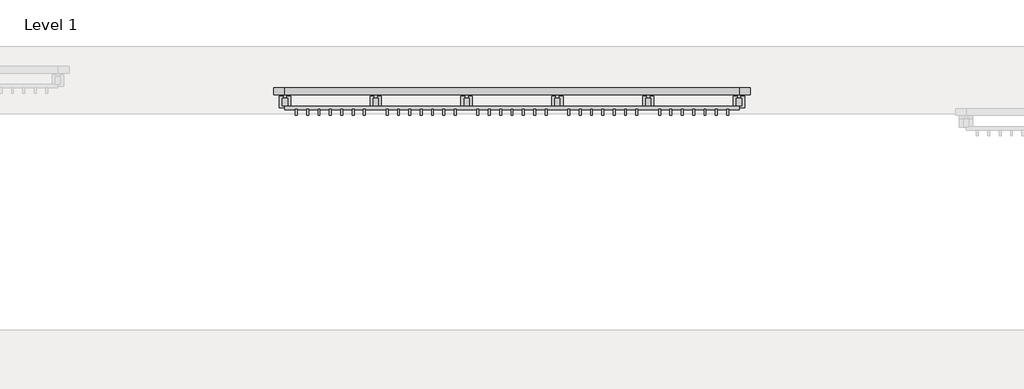
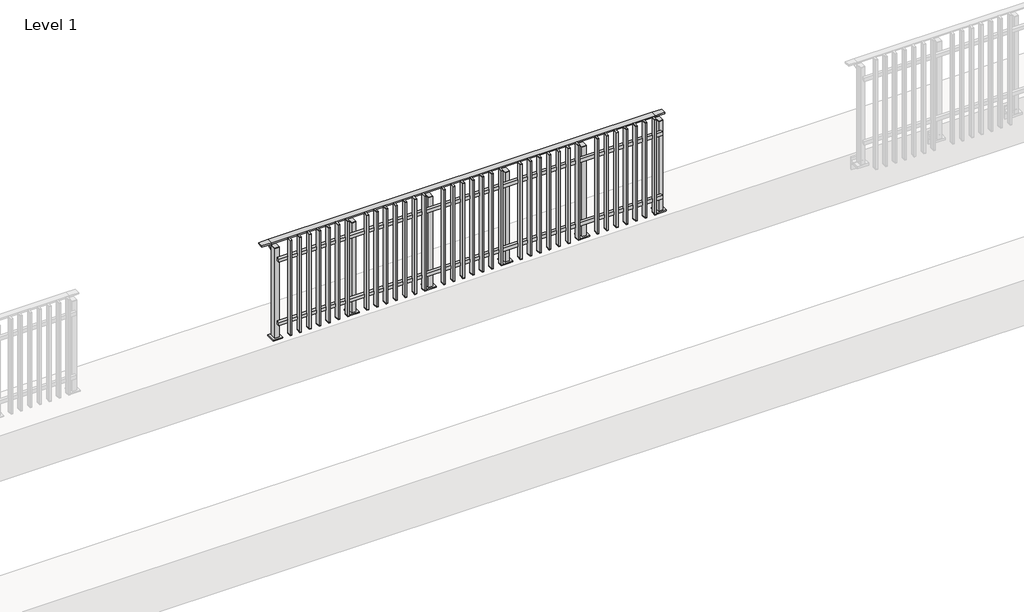
# One storey, part 12 of 17: 1 railing.
"""IFC4 building model written with IfcOpenShell, lengths in millimetres."""

from ifc_helpers import new_model, si_unit, point, frame, frame_2d, origin, origin_with_axes, place, context, project, spatial, polyline, circle_curve, trimmed, segment, composite_curve, outline, extrude, faceted_brep, element, save

model = new_model("IFC4")

# Units and contexts
model_context = context("Model", 3, world=origin())
ifc_project = project(units=[si_unit("LENGTHUNIT", "METRE", prefix="MILLI")], contexts=[model_context])

# Site, building, storey
site = spatial("IfcSite", under=ifc_project)
building = spatial("IfcBuilding", under=site)
storey = spatial("IfcBuildingStorey", under=building, Name="Level 1", Elevation=0.0)

# Railing
placement = place(None, origin())
element("IfcRailing", 1, at=placement, inside=storey, context=model_context, shape_type="SolidModel", body=[
    faceted_brep([(6000.0, 7625.1846828, 985.0), (6000.0, 7625.1846828, 1000.0), (10000.0, 7625.1846828, 1000.0), (10000.0, 7625.1846828, 985.0), (6000.0, 7565.1846828, 985.0), (10000.0, 7565.1846828, 985.0), (6000.0, 7565.1846828, 1000.0), (10000.0, 7565.1846828, 1000.0), (5900.0, 7625.1846828, 1000.0), (5900.0, 7625.1846828, 985.0), (5900.0, 7565.1846828, 985.0), (5900.0, 7565.1846828, 1000.0), (10100.0, 7625.1846828, 1000.0), (10100.0, 7565.1846828, 1000.0), (10100.0, 7565.1846828, 985.0), (10100.0, 7625.1846828, 985.0)], [[[0, 1, 2, 3]], [[4, 0, 3, 5]], [[6, 4, 5, 7]], [[1, 6, 7, 2]], [[8, 9, 10, 11]], [[9, 8, 1, 0]], [[10, 9, 0, 4]], [[11, 10, 4, 6]], [[8, 11, 6, 1]], [[12, 13, 14, 15]], [[3, 2, 12, 15]], [[5, 3, 15, 14]], [[7, 5, 14, 13]], [[2, 7, 13, 12]]]),
    extrude(outline(polyline([(6000.0, 7432.6846828), (6000.0, 7464.6846828), (10000.0, 7464.6846828), (10000.0, 7432.6846828), (6000.0, 7432.6846828)])), frame((0.0, 0.0, 164.0), z_axis=(0.0, 0.0, 1.0), x_axis=(1.0, 0.0, 0.0)), (0.0, 0.0, 1.0), 36.0),
    extrude(outline(polyline([(6000.0, 7432.6846828), (6000.0, 7464.6846828), (10000.0, 7464.6846828), (10000.0, 7432.6846828), (6000.0, 7432.6846828)])), frame((0.0, 0.0, 864.0), z_axis=(0.0, 0.0, 1.0), x_axis=(1.0, 0.0, 0.0)), (0.0, 0.0, 1.0), 36.0),
    extrude(outline(polyline([(9908.5, 7435.6846828), (9908.5, 7386.6846828), (9891.5, 7386.6846828), (9891.5, 7435.6846828), (9908.5, 7435.6846828)])), frame((0.0, 0.0, 50.0), z_axis=(0.0, 0.0, 1.0), x_axis=(1.0, 0.0, 0.0)), (0.0, 0.0, 1.0), 5.0),
    extrude(outline(polyline([(9908.5, 7435.6846828), (9908.5, 7386.6846828), (9891.5, 7386.6846828), (9891.5, 7435.6846828), (9908.5, 7435.6846828)])), frame((0.0, 0.0, 1095.0), z_axis=(0.0, 0.0, 1.0), x_axis=(1.0, 0.0, 0.0)), (0.0, 0.0, 1.0), 5.0),
    extrude(outline(polyline([(9891.5, 7386.6846828), (9891.5, 7435.6846828), (9908.5, 7435.6846828), (9908.5, 7386.6846828), (9891.5, 7386.6846828)])), frame((0.0, 0.0, 55.0), z_axis=(0.0, 0.0, 1.0), x_axis=(1.0, 0.0, 0.0)), (0.0, 0.0, 1.0), 1040.0),
    extrude(outline(polyline([(9808.5, 7435.6846828), (9808.5, 7386.6846828), (9791.5, 7386.6846828), (9791.5, 7435.6846828), (9808.5, 7435.6846828)])), frame((0.0, 0.0, 50.0), z_axis=(0.0, 0.0, 1.0), x_axis=(1.0, 0.0, 0.0)), (0.0, 0.0, 1.0), 5.0),
    extrude(outline(polyline([(9808.5, 7435.6846828), (9808.5, 7386.6846828), (9791.5, 7386.6846828), (9791.5, 7435.6846828), (9808.5, 7435.6846828)])), frame((0.0, 0.0, 1095.0), z_axis=(0.0, 0.0, 1.0), x_axis=(1.0, 0.0, 0.0)), (0.0, 0.0, 1.0), 5.0),
    extrude(outline(polyline([(9791.5, 7386.6846828), (9791.5, 7435.6846828), (9808.5, 7435.6846828), (9808.5, 7386.6846828), (9791.5, 7386.6846828)])), frame((0.0, 0.0, 55.0), z_axis=(0.0, 0.0, 1.0), x_axis=(1.0, 0.0, 0.0)), (0.0, 0.0, 1.0), 1040.0),
    extrude(outline(polyline([(9708.5, 7435.6846828), (9708.5, 7386.6846828), (9691.5, 7386.6846828), (9691.5, 7435.6846828), (9708.5, 7435.6846828)])), frame((0.0, 0.0, 50.0), z_axis=(0.0, 0.0, 1.0), x_axis=(1.0, 0.0, 0.0)), (0.0, 0.0, 1.0), 5.0),
    extrude(outline(polyline([(9708.5, 7435.6846828), (9708.5, 7386.6846828), (9691.5, 7386.6846828), (9691.5, 7435.6846828), (9708.5, 7435.6846828)])), frame((0.0, 0.0, 1095.0), z_axis=(0.0, 0.0, 1.0), x_axis=(1.0, 0.0, 0.0)), (0.0, 0.0, 1.0), 5.0),
    extrude(outline(polyline([(9691.5, 7386.6846828), (9691.5, 7435.6846828), (9708.5, 7435.6846828), (9708.5, 7386.6846828), (9691.5, 7386.6846828)])), frame((0.0, 0.0, 55.0), z_axis=(0.0, 0.0, 1.0), x_axis=(1.0, 0.0, 0.0)), (0.0, 0.0, 1.0), 1040.0),
    extrude(outline(polyline([(9608.5, 7435.6846828), (9608.5, 7386.6846828), (9591.5, 7386.6846828), (9591.5, 7435.6846828), (9608.5, 7435.6846828)])), frame((0.0, 0.0, 50.0), z_axis=(0.0, 0.0, 1.0), x_axis=(1.0, 0.0, 0.0)), (0.0, 0.0, 1.0), 5.0),
    extrude(outline(polyline([(9608.5, 7435.6846828), (9608.5, 7386.6846828), (9591.5, 7386.6846828), (9591.5, 7435.6846828), (9608.5, 7435.6846828)])), frame((0.0, 0.0, 1095.0), z_axis=(0.0, 0.0, 1.0), x_axis=(1.0, 0.0, 0.0)), (0.0, 0.0, 1.0), 5.0),
    extrude(outline(polyline([(9591.5, 7386.6846828), (9591.5, 7435.6846828), (9608.5, 7435.6846828), (9608.5, 7386.6846828), (9591.5, 7386.6846828)])), frame((0.0, 0.0, 55.0), z_axis=(0.0, 0.0, 1.0), x_axis=(1.0, 0.0, 0.0)), (0.0, 0.0, 1.0), 1040.0),
    extrude(outline(polyline([(9508.5, 7435.6846828), (9508.5, 7386.6846828), (9491.5, 7386.6846828), (9491.5, 7435.6846828), (9508.5, 7435.6846828)])), frame((0.0, 0.0, 50.0), z_axis=(0.0, 0.0, 1.0), x_axis=(1.0, 0.0, 0.0)), (0.0, 0.0, 1.0), 5.0),
    extrude(outline(polyline([(9508.5, 7435.6846828), (9508.5, 7386.6846828), (9491.5, 7386.6846828), (9491.5, 7435.6846828), (9508.5, 7435.6846828)])), frame((0.0, 0.0, 1095.0), z_axis=(0.0, 0.0, 1.0), x_axis=(1.0, 0.0, 0.0)), (0.0, 0.0, 1.0), 5.0),
    extrude(outline(polyline([(9491.5, 7386.6846828), (9491.5, 7435.6846828), (9508.5, 7435.6846828), (9508.5, 7386.6846828), (9491.5, 7386.6846828)])), frame((0.0, 0.0, 55.0), z_axis=(0.0, 0.0, 1.0), x_axis=(1.0, 0.0, 0.0)), (0.0, 0.0, 1.0), 1040.0),
    extrude(outline(polyline([(9408.5, 7435.6846828), (9408.5, 7386.6846828), (9391.5, 7386.6846828), (9391.5, 7435.6846828), (9408.5, 7435.6846828)])), frame((0.0, 0.0, 50.0), z_axis=(0.0, 0.0, 1.0), x_axis=(1.0, 0.0, 0.0)), (0.0, 0.0, 1.0), 5.0),
    extrude(outline(polyline([(9408.5, 7435.6846828), (9408.5, 7386.6846828), (9391.5, 7386.6846828), (9391.5, 7435.6846828), (9408.5, 7435.6846828)])), frame((0.0, 0.0, 1095.0), z_axis=(0.0, 0.0, 1.0), x_axis=(1.0, 0.0, 0.0)), (0.0, 0.0, 1.0), 5.0),
    extrude(outline(polyline([(9391.5, 7386.6846828), (9391.5, 7435.6846828), (9408.5, 7435.6846828), (9408.5, 7386.6846828), (9391.5, 7386.6846828)])), frame((0.0, 0.0, 55.0), z_axis=(0.0, 0.0, 1.0), x_axis=(1.0, 0.0, 0.0)), (0.0, 0.0, 1.0), 1040.0),
    extrude(outline(polyline([(9308.5, 7435.6846828), (9308.5, 7386.6846828), (9291.5, 7386.6846828), (9291.5, 7435.6846828), (9308.5, 7435.6846828)])), frame((0.0, 0.0, 50.0), z_axis=(0.0, 0.0, 1.0), x_axis=(1.0, 0.0, 0.0)), (0.0, 0.0, 1.0), 5.0),
    extrude(outline(polyline([(9308.5, 7435.6846828), (9308.5, 7386.6846828), (9291.5, 7386.6846828), (9291.5, 7435.6846828), (9308.5, 7435.6846828)])), frame((0.0, 0.0, 1095.0), z_axis=(0.0, 0.0, 1.0), x_axis=(1.0, 0.0, 0.0)), (0.0, 0.0, 1.0), 5.0),
    extrude(outline(polyline([(9291.5, 7386.6846828), (9291.5, 7435.6846828), (9308.5, 7435.6846828), (9308.5, 7386.6846828), (9291.5, 7386.6846828)])), frame((0.0, 0.0, 55.0), z_axis=(0.0, 0.0, 1.0), x_axis=(1.0, 0.0, 0.0)), (0.0, 0.0, 1.0), 1040.0),
    extrude(outline(composite_curve([segment(polyline([(7620.6846828, 985.0), (7620.6846828, 960.900037)]), True, "CONTINUOUS"), segment(trimmed(circle_curve(frame_2d((7610.6846828, 960.900037)), 10.0), [point((7620.6846828, 960.900037))], [point((7613.2728733, 951.2407787))], False, "CARTESIAN"), True, "CONTINUOUS"), segment(polyline([(7613.2728733, 951.2407787), (7556.2244733, 935.9547061)]), True, "CONTINUOUS"), segment(trimmed(circle_curve(frame_2d((7558.8126638, 926.2954478)), 10.0), [point((7556.2244733, 935.9547061))], [point((7548.8982152, 927.6007097))], True, "CARTESIAN"), True, "CONTINUOUS"), segment(polyline([(7548.8982152, 927.6007097), (7544.291393, 892.6084214)]), True, "CONTINUOUS"), segment(trimmed(circle_curve(frame_2d((7541.3170584, 893.0)), 3.0), [point((7544.291393, 892.6084214))], [point((7541.3170584, 890.0))], False, "CARTESIAN"), True, "CONTINUOUS"), segment(polyline([(7541.3170584, 890.0), (7532.6846828, 890.0), (7532.6846828, 940.0), (7596.6846828, 957.1487483), (7596.6846828, 985.0), (7620.6846828, 985.0)]), True, "CONTINUOUS")], self_intersect=False)), frame((9187.5, 0.0, 0.0), z_axis=(1.0, 0.0, 0.0), x_axis=(0.0, 1.0, 0.0)), (0.0, 0.0, 1.0), 25.0),
    extrude(outline(polyline([(9222.5, 7532.6846828), (9222.5, 7467.6846828), (9177.5, 7467.6846828), (9177.5, 7532.6846828), (9222.5, 7532.6846828)])), frame((0.0, 0.0, 1000.0), z_axis=(0.0, 0.0, 1.0), x_axis=(1.0, 0.0, 0.0)), (0.0, 0.0, 1.0), 5.0),
    extrude(outline(polyline([(9250.0, 7550.1846828), (9250.0, 7450.1846828), (9150.0, 7450.1846828), (9150.0, 7550.1846828), (9250.0, 7550.1846828)])), origin_with_axes(), (0.0, 0.0, 1.0), 12.0),
    extrude(outline(polyline([(9222.5, 7532.6846828), (9222.5, 7467.6846828), (9177.5, 7467.6846828), (9177.5, 7532.6846828), (9222.5, 7532.6846828)])), frame((0.0, 0.0, 12.0), z_axis=(0.0, 0.0, 1.0), x_axis=(1.0, 0.0, 0.0)), (0.0, 0.0, 1.0), 988.0),
    extrude(outline(polyline([(9108.5, 7435.6846828), (9108.5, 7386.6846828), (9091.5, 7386.6846828), (9091.5, 7435.6846828), (9108.5, 7435.6846828)])), frame((0.0, 0.0, 50.0), z_axis=(0.0, 0.0, 1.0), x_axis=(1.0, 0.0, 0.0)), (0.0, 0.0, 1.0), 5.0),
    extrude(outline(polyline([(9108.5, 7435.6846828), (9108.5, 7386.6846828), (9091.5, 7386.6846828), (9091.5, 7435.6846828), (9108.5, 7435.6846828)])), frame((0.0, 0.0, 1095.0), z_axis=(0.0, 0.0, 1.0), x_axis=(1.0, 0.0, 0.0)), (0.0, 0.0, 1.0), 5.0),
    extrude(outline(polyline([(9091.5, 7386.6846828), (9091.5, 7435.6846828), (9108.5, 7435.6846828), (9108.5, 7386.6846828), (9091.5, 7386.6846828)])), frame((0.0, 0.0, 55.0), z_axis=(0.0, 0.0, 1.0), x_axis=(1.0, 0.0, 0.0)), (0.0, 0.0, 1.0), 1040.0),
    extrude(outline(polyline([(9008.5, 7435.6846828), (9008.5, 7386.6846828), (8991.5, 7386.6846828), (8991.5, 7435.6846828), (9008.5, 7435.6846828)])), frame((0.0, 0.0, 50.0), z_axis=(0.0, 0.0, 1.0), x_axis=(1.0, 0.0, 0.0)), (0.0, 0.0, 1.0), 5.0),
    extrude(outline(polyline([(9008.5, 7435.6846828), (9008.5, 7386.6846828), (8991.5, 7386.6846828), (8991.5, 7435.6846828), (9008.5, 7435.6846828)])), frame((0.0, 0.0, 1095.0), z_axis=(0.0, 0.0, 1.0), x_axis=(1.0, 0.0, 0.0)), (0.0, 0.0, 1.0), 5.0),
    extrude(outline(polyline([(8991.5, 7386.6846828), (8991.5, 7435.6846828), (9008.5, 7435.6846828), (9008.5, 7386.6846828), (8991.5, 7386.6846828)])), frame((0.0, 0.0, 55.0), z_axis=(0.0, 0.0, 1.0), x_axis=(1.0, 0.0, 0.0)), (0.0, 0.0, 1.0), 1040.0),
    extrude(outline(polyline([(8908.5, 7435.6846828), (8908.5, 7386.6846828), (8891.5, 7386.6846828), (8891.5, 7435.6846828), (8908.5, 7435.6846828)])), frame((0.0, 0.0, 50.0), z_axis=(0.0, 0.0, 1.0), x_axis=(1.0, 0.0, 0.0)), (0.0, 0.0, 1.0), 5.0),
    extrude(outline(polyline([(8908.5, 7435.6846828), (8908.5, 7386.6846828), (8891.5, 7386.6846828), (8891.5, 7435.6846828), (8908.5, 7435.6846828)])), frame((0.0, 0.0, 1095.0), z_axis=(0.0, 0.0, 1.0), x_axis=(1.0, 0.0, 0.0)), (0.0, 0.0, 1.0), 5.0),
    extrude(outline(polyline([(8891.5, 7386.6846828), (8891.5, 7435.6846828), (8908.5, 7435.6846828), (8908.5, 7386.6846828), (8891.5, 7386.6846828)])), frame((0.0, 0.0, 55.0), z_axis=(0.0, 0.0, 1.0), x_axis=(1.0, 0.0, 0.0)), (0.0, 0.0, 1.0), 1040.0),
    extrude(outline(polyline([(8808.5, 7435.6846828), (8808.5, 7386.6846828), (8791.5, 7386.6846828), (8791.5, 7435.6846828), (8808.5, 7435.6846828)])), frame((0.0, 0.0, 50.0), z_axis=(0.0, 0.0, 1.0), x_axis=(1.0, 0.0, 0.0)), (0.0, 0.0, 1.0), 5.0),
    extrude(outline(polyline([(8808.5, 7435.6846828), (8808.5, 7386.6846828), (8791.5, 7386.6846828), (8791.5, 7435.6846828), (8808.5, 7435.6846828)])), frame((0.0, 0.0, 1095.0), z_axis=(0.0, 0.0, 1.0), x_axis=(1.0, 0.0, 0.0)), (0.0, 0.0, 1.0), 5.0),
    extrude(outline(polyline([(8791.5, 7386.6846828), (8791.5, 7435.6846828), (8808.5, 7435.6846828), (8808.5, 7386.6846828), (8791.5, 7386.6846828)])), frame((0.0, 0.0, 55.0), z_axis=(0.0, 0.0, 1.0), x_axis=(1.0, 0.0, 0.0)), (0.0, 0.0, 1.0), 1040.0),
    extrude(outline(polyline([(8708.5, 7435.6846828), (8708.5, 7386.6846828), (8691.5, 7386.6846828), (8691.5, 7435.6846828), (8708.5, 7435.6846828)])), frame((0.0, 0.0, 50.0), z_axis=(0.0, 0.0, 1.0), x_axis=(1.0, 0.0, 0.0)), (0.0, 0.0, 1.0), 5.0),
    extrude(outline(polyline([(8708.5, 7435.6846828), (8708.5, 7386.6846828), (8691.5, 7386.6846828), (8691.5, 7435.6846828), (8708.5, 7435.6846828)])), frame((0.0, 0.0, 1095.0), z_axis=(0.0, 0.0, 1.0), x_axis=(1.0, 0.0, 0.0)), (0.0, 0.0, 1.0), 5.0),
    extrude(outline(polyline([(8691.5, 7386.6846828), (8691.5, 7435.6846828), (8708.5, 7435.6846828), (8708.5, 7386.6846828), (8691.5, 7386.6846828)])), frame((0.0, 0.0, 55.0), z_axis=(0.0, 0.0, 1.0), x_axis=(1.0, 0.0, 0.0)), (0.0, 0.0, 1.0), 1040.0),
    extrude(outline(polyline([(8608.5, 7435.6846828), (8608.5, 7386.6846828), (8591.5, 7386.6846828), (8591.5, 7435.6846828), (8608.5, 7435.6846828)])), frame((0.0, 0.0, 50.0), z_axis=(0.0, 0.0, 1.0), x_axis=(1.0, 0.0, 0.0)), (0.0, 0.0, 1.0), 5.0),
    extrude(outline(polyline([(8608.5, 7435.6846828), (8608.5, 7386.6846828), (8591.5, 7386.6846828), (8591.5, 7435.6846828), (8608.5, 7435.6846828)])), frame((0.0, 0.0, 1095.0), z_axis=(0.0, 0.0, 1.0), x_axis=(1.0, 0.0, 0.0)), (0.0, 0.0, 1.0), 5.0),
    extrude(outline(polyline([(8591.5, 7386.6846828), (8591.5, 7435.6846828), (8608.5, 7435.6846828), (8608.5, 7386.6846828), (8591.5, 7386.6846828)])), frame((0.0, 0.0, 55.0), z_axis=(0.0, 0.0, 1.0), x_axis=(1.0, 0.0, 0.0)), (0.0, 0.0, 1.0), 1040.0),
    extrude(outline(polyline([(8508.5, 7435.6846828), (8508.5, 7386.6846828), (8491.5, 7386.6846828), (8491.5, 7435.6846828), (8508.5, 7435.6846828)])), frame((0.0, 0.0, 50.0), z_axis=(0.0, 0.0, 1.0), x_axis=(1.0, 0.0, 0.0)), (0.0, 0.0, 1.0), 5.0),
    extrude(outline(polyline([(8508.5, 7435.6846828), (8508.5, 7386.6846828), (8491.5, 7386.6846828), (8491.5, 7435.6846828), (8508.5, 7435.6846828)])), frame((0.0, 0.0, 1095.0), z_axis=(0.0, 0.0, 1.0), x_axis=(1.0, 0.0, 0.0)), (0.0, 0.0, 1.0), 5.0),
    extrude(outline(polyline([(8491.5, 7386.6846828), (8491.5, 7435.6846828), (8508.5, 7435.6846828), (8508.5, 7386.6846828), (8491.5, 7386.6846828)])), frame((0.0, 0.0, 55.0), z_axis=(0.0, 0.0, 1.0), x_axis=(1.0, 0.0, 0.0)), (0.0, 0.0, 1.0), 1040.0),
    extrude(outline(composite_curve([segment(polyline([(7620.6846828, 985.0), (7620.6846828, 960.900037)]), True, "CONTINUOUS"), segment(trimmed(circle_curve(frame_2d((7610.6846828, 960.900037)), 10.0), [point((7620.6846828, 960.900037))], [point((7613.2728733, 951.2407787))], False, "CARTESIAN"), True, "CONTINUOUS"), segment(polyline([(7613.2728733, 951.2407787), (7556.2244733, 935.9547061)]), True, "CONTINUOUS"), segment(trimmed(circle_curve(frame_2d((7558.8126638, 926.2954478)), 10.0), [point((7556.2244733, 935.9547061))], [point((7548.8982152, 927.6007097))], True, "CARTESIAN"), True, "CONTINUOUS"), segment(polyline([(7548.8982152, 927.6007097), (7544.291393, 892.6084214)]), True, "CONTINUOUS"), segment(trimmed(circle_curve(frame_2d((7541.3170584, 893.0)), 3.0), [point((7544.291393, 892.6084214))], [point((7541.3170584, 890.0))], False, "CARTESIAN"), True, "CONTINUOUS"), segment(polyline([(7541.3170584, 890.0), (7532.6846828, 890.0), (7532.6846828, 940.0), (7596.6846828, 957.1487483), (7596.6846828, 985.0), (7620.6846828, 985.0)]), True, "CONTINUOUS")], self_intersect=False)), frame((8387.5, 0.0, 0.0), z_axis=(1.0, 0.0, 0.0), x_axis=(0.0, 1.0, 0.0)), (0.0, 0.0, 1.0), 25.0),
    extrude(outline(polyline([(8422.5, 7532.6846828), (8422.5, 7467.6846828), (8377.5, 7467.6846828), (8377.5, 7532.6846828), (8422.5, 7532.6846828)])), frame((0.0, 0.0, 1000.0), z_axis=(0.0, 0.0, 1.0), x_axis=(1.0, 0.0, 0.0)), (0.0, 0.0, 1.0), 5.0),
    extrude(outline(polyline([(8450.0, 7550.1846828), (8450.0, 7450.1846828), (8350.0, 7450.1846828), (8350.0, 7550.1846828), (8450.0, 7550.1846828)])), origin_with_axes(), (0.0, 0.0, 1.0), 12.0),
    extrude(outline(polyline([(8422.5, 7532.6846828), (8422.5, 7467.6846828), (8377.5, 7467.6846828), (8377.5, 7532.6846828), (8422.5, 7532.6846828)])), frame((0.0, 0.0, 12.0), z_axis=(0.0, 0.0, 1.0), x_axis=(1.0, 0.0, 0.0)), (0.0, 0.0, 1.0), 988.0),
    extrude(outline(polyline([(8308.5, 7435.6846828), (8308.5, 7386.6846828), (8291.5, 7386.6846828), (8291.5, 7435.6846828), (8308.5, 7435.6846828)])), frame((0.0, 0.0, 50.0), z_axis=(0.0, 0.0, 1.0), x_axis=(1.0, 0.0, 0.0)), (0.0, 0.0, 1.0), 5.0),
    extrude(outline(polyline([(8308.5, 7435.6846828), (8308.5, 7386.6846828), (8291.5, 7386.6846828), (8291.5, 7435.6846828), (8308.5, 7435.6846828)])), frame((0.0, 0.0, 1095.0), z_axis=(0.0, 0.0, 1.0), x_axis=(1.0, 0.0, 0.0)), (0.0, 0.0, 1.0), 5.0),
    extrude(outline(polyline([(8291.5, 7386.6846828), (8291.5, 7435.6846828), (8308.5, 7435.6846828), (8308.5, 7386.6846828), (8291.5, 7386.6846828)])), frame((0.0, 0.0, 55.0), z_axis=(0.0, 0.0, 1.0), x_axis=(1.0, 0.0, 0.0)), (0.0, 0.0, 1.0), 1040.0),
    extrude(outline(polyline([(8208.5, 7435.6846828), (8208.5, 7386.6846828), (8191.5, 7386.6846828), (8191.5, 7435.6846828), (8208.5, 7435.6846828)])), frame((0.0, 0.0, 50.0), z_axis=(0.0, 0.0, 1.0), x_axis=(1.0, 0.0, 0.0)), (0.0, 0.0, 1.0), 5.0),
    extrude(outline(polyline([(8208.5, 7435.6846828), (8208.5, 7386.6846828), (8191.5, 7386.6846828), (8191.5, 7435.6846828), (8208.5, 7435.6846828)])), frame((0.0, 0.0, 1095.0), z_axis=(0.0, 0.0, 1.0), x_axis=(1.0, 0.0, 0.0)), (0.0, 0.0, 1.0), 5.0),
    extrude(outline(polyline([(8191.5, 7386.6846828), (8191.5, 7435.6846828), (8208.5, 7435.6846828), (8208.5, 7386.6846828), (8191.5, 7386.6846828)])), frame((0.0, 0.0, 55.0), z_axis=(0.0, 0.0, 1.0), x_axis=(1.0, 0.0, 0.0)), (0.0, 0.0, 1.0), 1040.0),
    extrude(outline(polyline([(8108.5, 7435.6846828), (8108.5, 7386.6846828), (8091.5, 7386.6846828), (8091.5, 7435.6846828), (8108.5, 7435.6846828)])), frame((0.0, 0.0, 50.0), z_axis=(0.0, 0.0, 1.0), x_axis=(1.0, 0.0, 0.0)), (0.0, 0.0, 1.0), 5.0),
    extrude(outline(polyline([(8108.5, 7435.6846828), (8108.5, 7386.6846828), (8091.5, 7386.6846828), (8091.5, 7435.6846828), (8108.5, 7435.6846828)])), frame((0.0, 0.0, 1095.0), z_axis=(0.0, 0.0, 1.0), x_axis=(1.0, 0.0, 0.0)), (0.0, 0.0, 1.0), 5.0),
    extrude(outline(polyline([(8091.5, 7386.6846828), (8091.5, 7435.6846828), (8108.5, 7435.6846828), (8108.5, 7386.6846828), (8091.5, 7386.6846828)])), frame((0.0, 0.0, 55.0), z_axis=(0.0, 0.0, 1.0), x_axis=(1.0, 0.0, 0.0)), (0.0, 0.0, 1.0), 1040.0),
    extrude(outline(polyline([(8008.5, 7435.6846828), (8008.5, 7386.6846828), (7991.5, 7386.6846828), (7991.5, 7435.6846828), (8008.5, 7435.6846828)])), frame((0.0, 0.0, 50.0), z_axis=(0.0, 0.0, 1.0), x_axis=(1.0, 0.0, 0.0)), (0.0, 0.0, 1.0), 5.0),
    extrude(outline(polyline([(8008.5, 7435.6846828), (8008.5, 7386.6846828), (7991.5, 7386.6846828), (7991.5, 7435.6846828), (8008.5, 7435.6846828)])), frame((0.0, 0.0, 1095.0), z_axis=(0.0, 0.0, 1.0), x_axis=(1.0, 0.0, 0.0)), (0.0, 0.0, 1.0), 5.0),
    extrude(outline(polyline([(7991.5, 7386.6846828), (7991.5, 7435.6846828), (8008.5, 7435.6846828), (8008.5, 7386.6846828), (7991.5, 7386.6846828)])), frame((0.0, 0.0, 55.0), z_axis=(0.0, 0.0, 1.0), x_axis=(1.0, 0.0, 0.0)), (0.0, 0.0, 1.0), 1040.0),
    extrude(outline(polyline([(7908.5, 7435.6846828), (7908.5, 7386.6846828), (7891.5, 7386.6846828), (7891.5, 7435.6846828), (7908.5, 7435.6846828)])), frame((0.0, 0.0, 50.0), z_axis=(0.0, 0.0, 1.0), x_axis=(1.0, 0.0, 0.0)), (0.0, 0.0, 1.0), 5.0),
    extrude(outline(polyline([(7908.5, 7435.6846828), (7908.5, 7386.6846828), (7891.5, 7386.6846828), (7891.5, 7435.6846828), (7908.5, 7435.6846828)])), frame((0.0, 0.0, 1095.0), z_axis=(0.0, 0.0, 1.0), x_axis=(1.0, 0.0, 0.0)), (0.0, 0.0, 1.0), 5.0),
    extrude(outline(polyline([(7891.5, 7386.6846828), (7891.5, 7435.6846828), (7908.5, 7435.6846828), (7908.5, 7386.6846828), (7891.5, 7386.6846828)])), frame((0.0, 0.0, 55.0), z_axis=(0.0, 0.0, 1.0), x_axis=(1.0, 0.0, 0.0)), (0.0, 0.0, 1.0), 1040.0),
    extrude(outline(polyline([(7808.5, 7435.6846828), (7808.5, 7386.6846828), (7791.5, 7386.6846828), (7791.5, 7435.6846828), (7808.5, 7435.6846828)])), frame((0.0, 0.0, 50.0), z_axis=(0.0, 0.0, 1.0), x_axis=(1.0, 0.0, 0.0)), (0.0, 0.0, 1.0), 5.0),
    extrude(outline(polyline([(7808.5, 7435.6846828), (7808.5, 7386.6846828), (7791.5, 7386.6846828), (7791.5, 7435.6846828), (7808.5, 7435.6846828)])), frame((0.0, 0.0, 1095.0), z_axis=(0.0, 0.0, 1.0), x_axis=(1.0, 0.0, 0.0)), (0.0, 0.0, 1.0), 5.0),
    extrude(outline(polyline([(7791.5, 7386.6846828), (7791.5, 7435.6846828), (7808.5, 7435.6846828), (7808.5, 7386.6846828), (7791.5, 7386.6846828)])), frame((0.0, 0.0, 55.0), z_axis=(0.0, 0.0, 1.0), x_axis=(1.0, 0.0, 0.0)), (0.0, 0.0, 1.0), 1040.0),
    extrude(outline(polyline([(7708.5, 7435.6846828), (7708.5, 7386.6846828), (7691.5, 7386.6846828), (7691.5, 7435.6846828), (7708.5, 7435.6846828)])), frame((0.0, 0.0, 50.0), z_axis=(0.0, 0.0, 1.0), x_axis=(1.0, 0.0, 0.0)), (0.0, 0.0, 1.0), 5.0),
    extrude(outline(polyline([(7708.5, 7435.6846828), (7708.5, 7386.6846828), (7691.5, 7386.6846828), (7691.5, 7435.6846828), (7708.5, 7435.6846828)])), frame((0.0, 0.0, 1095.0), z_axis=(0.0, 0.0, 1.0), x_axis=(1.0, 0.0, 0.0)), (0.0, 0.0, 1.0), 5.0),
    extrude(outline(polyline([(7691.5, 7386.6846828), (7691.5, 7435.6846828), (7708.5, 7435.6846828), (7708.5, 7386.6846828), (7691.5, 7386.6846828)])), frame((0.0, 0.0, 55.0), z_axis=(0.0, 0.0, 1.0), x_axis=(1.0, 0.0, 0.0)), (0.0, 0.0, 1.0), 1040.0),
    extrude(outline(composite_curve([segment(polyline([(7620.6846828, 985.0), (7620.6846828, 960.900037)]), True, "CONTINUOUS"), segment(trimmed(circle_curve(frame_2d((7610.6846828, 960.900037)), 10.0), [point((7620.6846828, 960.900037))], [point((7613.2728733, 951.2407787))], False, "CARTESIAN"), True, "CONTINUOUS"), segment(polyline([(7613.2728733, 951.2407787), (7556.2244733, 935.9547061)]), True, "CONTINUOUS"), segment(trimmed(circle_curve(frame_2d((7558.8126638, 926.2954478)), 10.0), [point((7556.2244733, 935.9547061))], [point((7548.8982152, 927.6007097))], True, "CARTESIAN"), True, "CONTINUOUS"), segment(polyline([(7548.8982152, 927.6007097), (7544.291393, 892.6084214)]), True, "CONTINUOUS"), segment(trimmed(circle_curve(frame_2d((7541.3170584, 893.0)), 3.0), [point((7544.291393, 892.6084214))], [point((7541.3170584, 890.0))], False, "CARTESIAN"), True, "CONTINUOUS"), segment(polyline([(7541.3170584, 890.0), (7532.6846828, 890.0), (7532.6846828, 940.0), (7596.6846828, 957.1487483), (7596.6846828, 985.0), (7620.6846828, 985.0)]), True, "CONTINUOUS")], self_intersect=False)), frame((7587.5, 0.0, 0.0), z_axis=(1.0, 0.0, 0.0), x_axis=(0.0, 1.0, 0.0)), (0.0, 0.0, 1.0), 25.0),
    extrude(outline(polyline([(7622.5, 7532.6846828), (7622.5, 7467.6846828), (7577.5, 7467.6846828), (7577.5, 7532.6846828), (7622.5, 7532.6846828)])), frame((0.0, 0.0, 1000.0), z_axis=(0.0, 0.0, 1.0), x_axis=(1.0, 0.0, 0.0)), (0.0, 0.0, 1.0), 5.0),
    extrude(outline(polyline([(7650.0, 7550.1846828), (7650.0, 7450.1846828), (7550.0, 7450.1846828), (7550.0, 7550.1846828), (7650.0, 7550.1846828)])), origin_with_axes(), (0.0, 0.0, 1.0), 12.0),
    extrude(outline(polyline([(7622.5, 7532.6846828), (7622.5, 7467.6846828), (7577.5, 7467.6846828), (7577.5, 7532.6846828), (7622.5, 7532.6846828)])), frame((0.0, 0.0, 12.0), z_axis=(0.0, 0.0, 1.0), x_axis=(1.0, 0.0, 0.0)), (0.0, 0.0, 1.0), 988.0),
    extrude(outline(polyline([(7508.5, 7435.6846828), (7508.5, 7386.6846828), (7491.5, 7386.6846828), (7491.5, 7435.6846828), (7508.5, 7435.6846828)])), frame((0.0, 0.0, 50.0), z_axis=(0.0, 0.0, 1.0), x_axis=(1.0, 0.0, 0.0)), (0.0, 0.0, 1.0), 5.0),
    extrude(outline(polyline([(7508.5, 7435.6846828), (7508.5, 7386.6846828), (7491.5, 7386.6846828), (7491.5, 7435.6846828), (7508.5, 7435.6846828)])), frame((0.0, 0.0, 1095.0), z_axis=(0.0, 0.0, 1.0), x_axis=(1.0, 0.0, 0.0)), (0.0, 0.0, 1.0), 5.0),
    extrude(outline(polyline([(7491.5, 7386.6846828), (7491.5, 7435.6846828), (7508.5, 7435.6846828), (7508.5, 7386.6846828), (7491.5, 7386.6846828)])), frame((0.0, 0.0, 55.0), z_axis=(0.0, 0.0, 1.0), x_axis=(1.0, 0.0, 0.0)), (0.0, 0.0, 1.0), 1040.0),
    extrude(outline(polyline([(7408.5, 7435.6846828), (7408.5, 7386.6846828), (7391.5, 7386.6846828), (7391.5, 7435.6846828), (7408.5, 7435.6846828)])), frame((0.0, 0.0, 50.0), z_axis=(0.0, 0.0, 1.0), x_axis=(1.0, 0.0, 0.0)), (0.0, 0.0, 1.0), 5.0),
    extrude(outline(polyline([(7408.5, 7435.6846828), (7408.5, 7386.6846828), (7391.5, 7386.6846828), (7391.5, 7435.6846828), (7408.5, 7435.6846828)])), frame((0.0, 0.0, 1095.0), z_axis=(0.0, 0.0, 1.0), x_axis=(1.0, 0.0, 0.0)), (0.0, 0.0, 1.0), 5.0),
    extrude(outline(polyline([(7391.5, 7386.6846828), (7391.5, 7435.6846828), (7408.5, 7435.6846828), (7408.5, 7386.6846828), (7391.5, 7386.6846828)])), frame((0.0, 0.0, 55.0), z_axis=(0.0, 0.0, 1.0), x_axis=(1.0, 0.0, 0.0)), (0.0, 0.0, 1.0), 1040.0),
    extrude(outline(polyline([(7308.5, 7435.6846828), (7308.5, 7386.6846828), (7291.5, 7386.6846828), (7291.5, 7435.6846828), (7308.5, 7435.6846828)])), frame((0.0, 0.0, 50.0), z_axis=(0.0, 0.0, 1.0), x_axis=(1.0, 0.0, 0.0)), (0.0, 0.0, 1.0), 5.0),
    extrude(outline(polyline([(7308.5, 7435.6846828), (7308.5, 7386.6846828), (7291.5, 7386.6846828), (7291.5, 7435.6846828), (7308.5, 7435.6846828)])), frame((0.0, 0.0, 1095.0), z_axis=(0.0, 0.0, 1.0), x_axis=(1.0, 0.0, 0.0)), (0.0, 0.0, 1.0), 5.0),
    extrude(outline(polyline([(7291.5, 7386.6846828), (7291.5, 7435.6846828), (7308.5, 7435.6846828), (7308.5, 7386.6846828), (7291.5, 7386.6846828)])), frame((0.0, 0.0, 55.0), z_axis=(0.0, 0.0, 1.0), x_axis=(1.0, 0.0, 0.0)), (0.0, 0.0, 1.0), 1040.0),
    extrude(outline(polyline([(7208.5, 7435.6846828), (7208.5, 7386.6846828), (7191.5, 7386.6846828), (7191.5, 7435.6846828), (7208.5, 7435.6846828)])), frame((0.0, 0.0, 50.0), z_axis=(0.0, 0.0, 1.0), x_axis=(1.0, 0.0, 0.0)), (0.0, 0.0, 1.0), 5.0),
    extrude(outline(polyline([(7208.5, 7435.6846828), (7208.5, 7386.6846828), (7191.5, 7386.6846828), (7191.5, 7435.6846828), (7208.5, 7435.6846828)])), frame((0.0, 0.0, 1095.0), z_axis=(0.0, 0.0, 1.0), x_axis=(1.0, 0.0, 0.0)), (0.0, 0.0, 1.0), 5.0),
    extrude(outline(polyline([(7191.5, 7386.6846828), (7191.5, 7435.6846828), (7208.5, 7435.6846828), (7208.5, 7386.6846828), (7191.5, 7386.6846828)])), frame((0.0, 0.0, 55.0), z_axis=(0.0, 0.0, 1.0), x_axis=(1.0, 0.0, 0.0)), (0.0, 0.0, 1.0), 1040.0),
    extrude(outline(polyline([(7108.5, 7435.6846828), (7108.5, 7386.6846828), (7091.5, 7386.6846828), (7091.5, 7435.6846828), (7108.5, 7435.6846828)])), frame((0.0, 0.0, 50.0), z_axis=(0.0, 0.0, 1.0), x_axis=(1.0, 0.0, 0.0)), (0.0, 0.0, 1.0), 5.0),
    extrude(outline(polyline([(7108.5, 7435.6846828), (7108.5, 7386.6846828), (7091.5, 7386.6846828), (7091.5, 7435.6846828), (7108.5, 7435.6846828)])), frame((0.0, 0.0, 1095.0), z_axis=(0.0, 0.0, 1.0), x_axis=(1.0, 0.0, 0.0)), (0.0, 0.0, 1.0), 5.0),
    extrude(outline(polyline([(7091.5, 7386.6846828), (7091.5, 7435.6846828), (7108.5, 7435.6846828), (7108.5, 7386.6846828), (7091.5, 7386.6846828)])), frame((0.0, 0.0, 55.0), z_axis=(0.0, 0.0, 1.0), x_axis=(1.0, 0.0, 0.0)), (0.0, 0.0, 1.0), 1040.0),
    extrude(outline(polyline([(7008.5, 7435.6846828), (7008.5, 7386.6846828), (6991.5, 7386.6846828), (6991.5, 7435.6846828), (7008.5, 7435.6846828)])), frame((0.0, 0.0, 50.0), z_axis=(0.0, 0.0, 1.0), x_axis=(1.0, 0.0, 0.0)), (0.0, 0.0, 1.0), 5.0),
    extrude(outline(polyline([(7008.5, 7435.6846828), (7008.5, 7386.6846828), (6991.5, 7386.6846828), (6991.5, 7435.6846828), (7008.5, 7435.6846828)])), frame((0.0, 0.0, 1095.0), z_axis=(0.0, 0.0, 1.0), x_axis=(1.0, 0.0, 0.0)), (0.0, 0.0, 1.0), 5.0),
    extrude(outline(polyline([(6991.5, 7386.6846828), (6991.5, 7435.6846828), (7008.5, 7435.6846828), (7008.5, 7386.6846828), (6991.5, 7386.6846828)])), frame((0.0, 0.0, 55.0), z_axis=(0.0, 0.0, 1.0), x_axis=(1.0, 0.0, 0.0)), (0.0, 0.0, 1.0), 1040.0),
    extrude(outline(polyline([(6908.5, 7435.6846828), (6908.5, 7386.6846828), (6891.5, 7386.6846828), (6891.5, 7435.6846828), (6908.5, 7435.6846828)])), frame((0.0, 0.0, 50.0), z_axis=(0.0, 0.0, 1.0), x_axis=(1.0, 0.0, 0.0)), (0.0, 0.0, 1.0), 5.0),
    extrude(outline(polyline([(6908.5, 7435.6846828), (6908.5, 7386.6846828), (6891.5, 7386.6846828), (6891.5, 7435.6846828), (6908.5, 7435.6846828)])), frame((0.0, 0.0, 1095.0), z_axis=(0.0, 0.0, 1.0), x_axis=(1.0, 0.0, 0.0)), (0.0, 0.0, 1.0), 5.0),
    extrude(outline(polyline([(6891.5, 7386.6846828), (6891.5, 7435.6846828), (6908.5, 7435.6846828), (6908.5, 7386.6846828), (6891.5, 7386.6846828)])), frame((0.0, 0.0, 55.0), z_axis=(0.0, 0.0, 1.0), x_axis=(1.0, 0.0, 0.0)), (0.0, 0.0, 1.0), 1040.0),
    extrude(outline(composite_curve([segment(polyline([(7620.6846828, 985.0), (7620.6846828, 960.900037)]), True, "CONTINUOUS"), segment(trimmed(circle_curve(frame_2d((7610.6846828, 960.900037)), 10.0), [point((7620.6846828, 960.900037))], [point((7613.2728733, 951.2407787))], False, "CARTESIAN"), True, "CONTINUOUS"), segment(polyline([(7613.2728733, 951.2407787), (7556.2244733, 935.9547061)]), True, "CONTINUOUS"), segment(trimmed(circle_curve(frame_2d((7558.8126638, 926.2954478)), 10.0), [point((7556.2244733, 935.9547061))], [point((7548.8982152, 927.6007097))], True, "CARTESIAN"), True, "CONTINUOUS"), segment(polyline([(7548.8982152, 927.6007097), (7544.291393, 892.6084214)]), True, "CONTINUOUS"), segment(trimmed(circle_curve(frame_2d((7541.3170584, 893.0)), 3.0), [point((7544.291393, 892.6084214))], [point((7541.3170584, 890.0))], False, "CARTESIAN"), True, "CONTINUOUS"), segment(polyline([(7541.3170584, 890.0), (7532.6846828, 890.0), (7532.6846828, 940.0), (7596.6846828, 957.1487483), (7596.6846828, 985.0), (7620.6846828, 985.0)]), True, "CONTINUOUS")], self_intersect=False)), frame((6787.5, 0.0, 0.0), z_axis=(1.0, 0.0, 0.0), x_axis=(0.0, 1.0, 0.0)), (0.0, 0.0, 1.0), 25.0),
    extrude(outline(polyline([(6822.5, 7532.6846828), (6822.5, 7467.6846828), (6777.5, 7467.6846828), (6777.5, 7532.6846828), (6822.5, 7532.6846828)])), frame((0.0, 0.0, 1000.0), z_axis=(0.0, 0.0, 1.0), x_axis=(1.0, 0.0, 0.0)), (0.0, 0.0, 1.0), 5.0),
    extrude(outline(polyline([(6850.0, 7550.1846828), (6850.0, 7450.1846828), (6750.0, 7450.1846828), (6750.0, 7550.1846828), (6850.0, 7550.1846828)])), origin_with_axes(), (0.0, 0.0, 1.0), 12.0),
    extrude(outline(polyline([(6822.5, 7532.6846828), (6822.5, 7467.6846828), (6777.5, 7467.6846828), (6777.5, 7532.6846828), (6822.5, 7532.6846828)])), frame((0.0, 0.0, 12.0), z_axis=(0.0, 0.0, 1.0), x_axis=(1.0, 0.0, 0.0)), (0.0, 0.0, 1.0), 988.0),
    extrude(outline(polyline([(6708.5, 7435.6846828), (6708.5, 7386.6846828), (6691.5, 7386.6846828), (6691.5, 7435.6846828), (6708.5, 7435.6846828)])), frame((0.0, 0.0, 50.0), z_axis=(0.0, 0.0, 1.0), x_axis=(1.0, 0.0, 0.0)), (0.0, 0.0, 1.0), 5.0),
    extrude(outline(polyline([(6708.5, 7435.6846828), (6708.5, 7386.6846828), (6691.5, 7386.6846828), (6691.5, 7435.6846828), (6708.5, 7435.6846828)])), frame((0.0, 0.0, 1095.0), z_axis=(0.0, 0.0, 1.0), x_axis=(1.0, 0.0, 0.0)), (0.0, 0.0, 1.0), 5.0),
    extrude(outline(polyline([(6691.5, 7386.6846828), (6691.5, 7435.6846828), (6708.5, 7435.6846828), (6708.5, 7386.6846828), (6691.5, 7386.6846828)])), frame((0.0, 0.0, 55.0), z_axis=(0.0, 0.0, 1.0), x_axis=(1.0, 0.0, 0.0)), (0.0, 0.0, 1.0), 1040.0),
    extrude(outline(polyline([(6608.5, 7435.6846828), (6608.5, 7386.6846828), (6591.5, 7386.6846828), (6591.5, 7435.6846828), (6608.5, 7435.6846828)])), frame((0.0, 0.0, 50.0), z_axis=(0.0, 0.0, 1.0), x_axis=(1.0, 0.0, 0.0)), (0.0, 0.0, 1.0), 5.0),
    extrude(outline(polyline([(6608.5, 7435.6846828), (6608.5, 7386.6846828), (6591.5, 7386.6846828), (6591.5, 7435.6846828), (6608.5, 7435.6846828)])), frame((0.0, 0.0, 1095.0), z_axis=(0.0, 0.0, 1.0), x_axis=(1.0, 0.0, 0.0)), (0.0, 0.0, 1.0), 5.0),
    extrude(outline(polyline([(6591.5, 7386.6846828), (6591.5, 7435.6846828), (6608.5, 7435.6846828), (6608.5, 7386.6846828), (6591.5, 7386.6846828)])), frame((0.0, 0.0, 55.0), z_axis=(0.0, 0.0, 1.0), x_axis=(1.0, 0.0, 0.0)), (0.0, 0.0, 1.0), 1040.0),
    extrude(outline(polyline([(6508.5, 7435.6846828), (6508.5, 7386.6846828), (6491.5, 7386.6846828), (6491.5, 7435.6846828), (6508.5, 7435.6846828)])), frame((0.0, 0.0, 50.0), z_axis=(0.0, 0.0, 1.0), x_axis=(1.0, 0.0, 0.0)), (0.0, 0.0, 1.0), 5.0),
    extrude(outline(polyline([(6508.5, 7435.6846828), (6508.5, 7386.6846828), (6491.5, 7386.6846828), (6491.5, 7435.6846828), (6508.5, 7435.6846828)])), frame((0.0, 0.0, 1095.0), z_axis=(0.0, 0.0, 1.0), x_axis=(1.0, 0.0, 0.0)), (0.0, 0.0, 1.0), 5.0),
    extrude(outline(polyline([(6491.5, 7386.6846828), (6491.5, 7435.6846828), (6508.5, 7435.6846828), (6508.5, 7386.6846828), (6491.5, 7386.6846828)])), frame((0.0, 0.0, 55.0), z_axis=(0.0, 0.0, 1.0), x_axis=(1.0, 0.0, 0.0)), (0.0, 0.0, 1.0), 1040.0),
    extrude(outline(polyline([(6408.5, 7435.6846828), (6408.5, 7386.6846828), (6391.5, 7386.6846828), (6391.5, 7435.6846828), (6408.5, 7435.6846828)])), frame((0.0, 0.0, 50.0), z_axis=(0.0, 0.0, 1.0), x_axis=(1.0, 0.0, 0.0)), (0.0, 0.0, 1.0), 5.0),
    extrude(outline(polyline([(6408.5, 7435.6846828), (6408.5, 7386.6846828), (6391.5, 7386.6846828), (6391.5, 7435.6846828), (6408.5, 7435.6846828)])), frame((0.0, 0.0, 1095.0), z_axis=(0.0, 0.0, 1.0), x_axis=(1.0, 0.0, 0.0)), (0.0, 0.0, 1.0), 5.0),
    extrude(outline(polyline([(6391.5, 7386.6846828), (6391.5, 7435.6846828), (6408.5, 7435.6846828), (6408.5, 7386.6846828), (6391.5, 7386.6846828)])), frame((0.0, 0.0, 55.0), z_axis=(0.0, 0.0, 1.0), x_axis=(1.0, 0.0, 0.0)), (0.0, 0.0, 1.0), 1040.0),
    extrude(outline(polyline([(6308.5, 7435.6846828), (6308.5, 7386.6846828), (6291.5, 7386.6846828), (6291.5, 7435.6846828), (6308.5, 7435.6846828)])), frame((0.0, 0.0, 50.0), z_axis=(0.0, 0.0, 1.0), x_axis=(1.0, 0.0, 0.0)), (0.0, 0.0, 1.0), 5.0),
    extrude(outline(polyline([(6308.5, 7435.6846828), (6308.5, 7386.6846828), (6291.5, 7386.6846828), (6291.5, 7435.6846828), (6308.5, 7435.6846828)])), frame((0.0, 0.0, 1095.0), z_axis=(0.0, 0.0, 1.0), x_axis=(1.0, 0.0, 0.0)), (0.0, 0.0, 1.0), 5.0),
    extrude(outline(polyline([(6291.5, 7386.6846828), (6291.5, 7435.6846828), (6308.5, 7435.6846828), (6308.5, 7386.6846828), (6291.5, 7386.6846828)])), frame((0.0, 0.0, 55.0), z_axis=(0.0, 0.0, 1.0), x_axis=(1.0, 0.0, 0.0)), (0.0, 0.0, 1.0), 1040.0),
    extrude(outline(polyline([(6208.5, 7435.6846828), (6208.5, 7386.6846828), (6191.5, 7386.6846828), (6191.5, 7435.6846828), (6208.5, 7435.6846828)])), frame((0.0, 0.0, 50.0), z_axis=(0.0, 0.0, 1.0), x_axis=(1.0, 0.0, 0.0)), (0.0, 0.0, 1.0), 5.0),
    extrude(outline(polyline([(6208.5, 7435.6846828), (6208.5, 7386.6846828), (6191.5, 7386.6846828), (6191.5, 7435.6846828), (6208.5, 7435.6846828)])), frame((0.0, 0.0, 1095.0), z_axis=(0.0, 0.0, 1.0), x_axis=(1.0, 0.0, 0.0)), (0.0, 0.0, 1.0), 5.0),
    extrude(outline(polyline([(6191.5, 7386.6846828), (6191.5, 7435.6846828), (6208.5, 7435.6846828), (6208.5, 7386.6846828), (6191.5, 7386.6846828)])), frame((0.0, 0.0, 55.0), z_axis=(0.0, 0.0, 1.0), x_axis=(1.0, 0.0, 0.0)), (0.0, 0.0, 1.0), 1040.0),
    extrude(outline(polyline([(6108.5, 7435.6846828), (6108.5, 7386.6846828), (6091.5, 7386.6846828), (6091.5, 7435.6846828), (6108.5, 7435.6846828)])), frame((0.0, 0.0, 50.0), z_axis=(0.0, 0.0, 1.0), x_axis=(1.0, 0.0, 0.0)), (0.0, 0.0, 1.0), 5.0),
    extrude(outline(polyline([(6108.5, 7435.6846828), (6108.5, 7386.6846828), (6091.5, 7386.6846828), (6091.5, 7435.6846828), (6108.5, 7435.6846828)])), frame((0.0, 0.0, 1095.0), z_axis=(0.0, 0.0, 1.0), x_axis=(1.0, 0.0, 0.0)), (0.0, 0.0, 1.0), 5.0),
    extrude(outline(polyline([(6091.5, 7386.6846828), (6091.5, 7435.6846828), (6108.5, 7435.6846828), (6108.5, 7386.6846828), (6091.5, 7386.6846828)])), frame((0.0, 0.0, 55.0), z_axis=(0.0, 0.0, 1.0), x_axis=(1.0, 0.0, 0.0)), (0.0, 0.0, 1.0), 1040.0),
    extrude(outline(composite_curve([segment(polyline([(7620.6846828, 985.0), (7620.6846828, 960.900037)]), True, "CONTINUOUS"), segment(trimmed(circle_curve(frame_2d((7610.6846828, 960.900037)), 10.0), [point((7620.6846828, 960.900037))], [point((7613.2728733, 951.2407787))], False, "CARTESIAN"), True, "CONTINUOUS"), segment(polyline([(7613.2728733, 951.2407787), (7556.2244733, 935.9547061)]), True, "CONTINUOUS"), segment(trimmed(circle_curve(frame_2d((7558.8126638, 926.2954478)), 10.0), [point((7556.2244733, 935.9547061))], [point((7548.8982152, 927.6007097))], True, "CARTESIAN"), True, "CONTINUOUS"), segment(polyline([(7548.8982152, 927.6007097), (7544.291393, 892.6084214)]), True, "CONTINUOUS"), segment(trimmed(circle_curve(frame_2d((7541.3170584, 893.0)), 3.0), [point((7544.291393, 892.6084214))], [point((7541.3170584, 890.0))], False, "CARTESIAN"), True, "CONTINUOUS"), segment(polyline([(7541.3170584, 890.0), (7532.6846828, 890.0), (7532.6846828, 940.0), (7596.6846828, 957.1487483), (7596.6846828, 985.0), (7620.6846828, 985.0)]), True, "CONTINUOUS")], self_intersect=False)), frame((9987.5, 0.0, 0.0), z_axis=(1.0, 0.0, 0.0), x_axis=(0.0, 1.0, 0.0)), (0.0, 0.0, 1.0), 25.0),
    extrude(outline(polyline([(10022.5, 7532.6846828), (10022.5, 7467.6846828), (9977.5, 7467.6846828), (9977.5, 7532.6846828), (10022.5, 7532.6846828)])), frame((0.0, 0.0, 1000.0), z_axis=(0.0, 0.0, 1.0), x_axis=(1.0, 0.0, 0.0)), (0.0, 0.0, 1.0), 5.0),
    extrude(outline(polyline([(10050.0, 7550.1846828), (10050.0, 7450.1846828), (9950.0, 7450.1846828), (9950.0, 7550.1846828), (10050.0, 7550.1846828)])), origin_with_axes(), (0.0, 0.0, 1.0), 12.0),
    extrude(outline(polyline([(10022.5, 7532.6846828), (10022.5, 7467.6846828), (9977.5, 7467.6846828), (9977.5, 7532.6846828), (10022.5, 7532.6846828)])), frame((0.0, 0.0, 12.0), z_axis=(0.0, 0.0, 1.0), x_axis=(1.0, 0.0, 0.0)), (0.0, 0.0, 1.0), 988.0),
    extrude(outline(composite_curve([segment(polyline([(7620.6846828, 985.0), (7620.6846828, 960.900037)]), True, "CONTINUOUS"), segment(trimmed(circle_curve(frame_2d((7610.6846828, 960.900037)), 10.0), [point((7620.6846828, 960.900037))], [point((7613.2728733, 951.2407787))], False, "CARTESIAN"), True, "CONTINUOUS"), segment(polyline([(7613.2728733, 951.2407787), (7556.2244733, 935.9547061)]), True, "CONTINUOUS"), segment(trimmed(circle_curve(frame_2d((7558.8126638, 926.2954478)), 10.0), [point((7556.2244733, 935.9547061))], [point((7548.8982152, 927.6007097))], True, "CARTESIAN"), True, "CONTINUOUS"), segment(polyline([(7548.8982152, 927.6007097), (7544.291393, 892.6084214)]), True, "CONTINUOUS"), segment(trimmed(circle_curve(frame_2d((7541.3170584, 893.0)), 3.0), [point((7544.291393, 892.6084214))], [point((7541.3170584, 890.0))], False, "CARTESIAN"), True, "CONTINUOUS"), segment(polyline([(7541.3170584, 890.0), (7532.6846828, 890.0), (7532.6846828, 940.0), (7596.6846828, 957.1487483), (7596.6846828, 985.0), (7620.6846828, 985.0)]), True, "CONTINUOUS")], self_intersect=False)), frame((5987.5, 0.0, 0.0), z_axis=(1.0, 0.0, 0.0), x_axis=(0.0, 1.0, 0.0)), (0.0, 0.0, 1.0), 25.0),
    extrude(outline(polyline([(6022.5, 7532.6846828), (6022.5, 7467.6846828), (5977.5, 7467.6846828), (5977.5, 7532.6846828), (6022.5, 7532.6846828)])), frame((0.0, 0.0, 1000.0), z_axis=(0.0, 0.0, 1.0), x_axis=(1.0, 0.0, 0.0)), (0.0, 0.0, 1.0), 5.0),
    extrude(outline(polyline([(6050.0, 7550.1846828), (6050.0, 7450.1846828), (5950.0, 7450.1846828), (5950.0, 7550.1846828), (6050.0, 7550.1846828)])), origin_with_axes(), (0.0, 0.0, 1.0), 12.0),
    extrude(outline(polyline([(6022.5, 7532.6846828), (6022.5, 7467.6846828), (5977.5, 7467.6846828), (5977.5, 7532.6846828), (6022.5, 7532.6846828)])), frame((0.0, 0.0, 12.0), z_axis=(0.0, 0.0, 1.0), x_axis=(1.0, 0.0, 0.0)), (0.0, 0.0, 1.0), 988.0),
])

save(model, "model.ifc")
